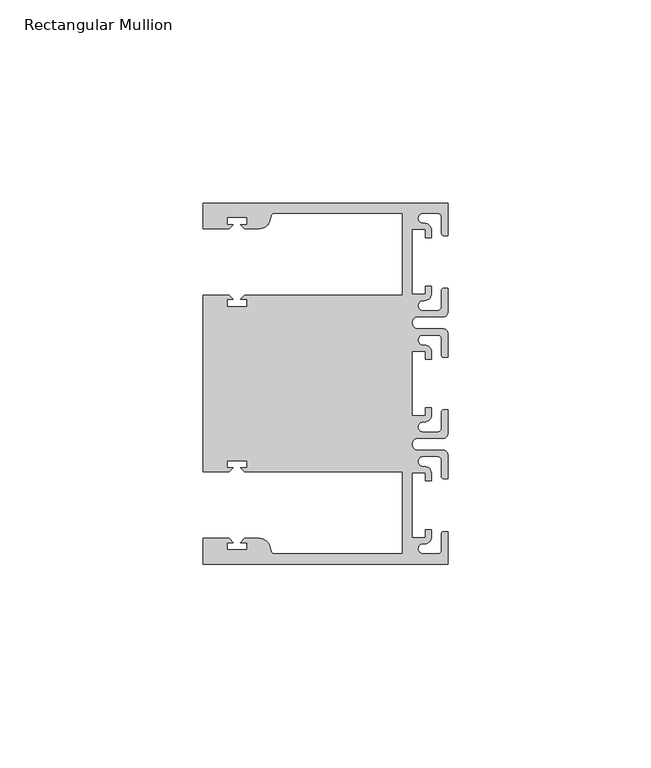
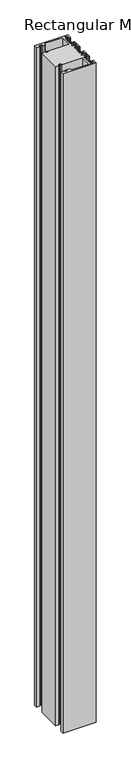
"""IFC4 building model written with IfcOpenShell, lengths in millimetres: member geometry, Rectangular Mullion."""

from ifc_helpers import new_model, si_unit, point, frame, frame_2d, origin, place, context, project, spatial, polyline, circle_curve, trimmed, segment, composite_curve, outline, extrude, source, transform, mapped, element, save


def rectangular_mullion_b421dbb2(model_context):
    return source(origin(), model_context, "Body", "SweptSolid", [
        extrude(outline(composite_curve([segment(polyline([(0.0, 44.45), (0.0, 36.4500318), (-1.0, 36.4500318)]), True, "CONTINUOUS"), segment(trimmed(circle_curve(frame_2d((-1.0, 36.9500318)), 0.5), [point((-1.0, 36.4500318))], [point((-1.5, 36.9500318))], False, "CARTESIAN"), True, "CONTINUOUS"), segment(polyline([(-1.5, 36.9500318), (-1.5, 40.95)]), True, "CONTINUOUS"), segment(trimmed(circle_curve(frame_2d((-2.5, 40.95)), 1.0), [point((-1.5, 40.95))], [point((-2.5, 41.95))], True, "CARTESIAN"), True, "CONTINUOUS"), segment(polyline([(-2.5, 41.95), (-6.0499986, 41.95)]), True, "CONTINUOUS"), segment(trimmed(circle_curve(frame_2d((-6.0499986, 40.6999986)), 1.2500014), [point((-6.0499986, 41.95))], [point((-5.9027291, 39.4587029))], True, "CARTESIAN"), True, "CONTINUOUS"), segment(trimmed(circle_curve(frame_2d((-5.7186029, 37.7499972)), 1.7185975), [point((-5.9027291, 39.4587029))], [point((-4.0000054, 37.7499972))], False, "CARTESIAN"), True, "CONTINUOUS"), segment(polyline([(-4.0000054, 37.7499972), (-4.0000054, 35.9500318), (-5.5, 35.9500318), (-5.5, 37.9499972), (-8.8585786, 37.9499972), (-8.8585786, 21.9499956), (-5.5, 21.9499956), (-5.5, 23.9499611), (-3.9999946, 23.9499611), (-3.9999946, 22.0272972)]), True, "CONTINUOUS"), segment(trimmed(circle_curve(frame_2d((-5.7543344, 22.1865598)), 1.761554), [point((-3.9999946, 22.0272972))], [point((-6.0499986, 20.4499956))], False, "CARTESIAN"), True, "CONTINUOUS"), segment(trimmed(circle_curve(frame_2d((-6.0499986, 19.1999942)), 1.2500014), [point((-6.0499986, 20.4499956))], [point((-6.0499986, 17.9499929))], True, "CARTESIAN"), True, "CONTINUOUS"), segment(polyline([(-6.0499986, 17.9499929), (-2.5, 17.9499929)]), True, "CONTINUOUS"), segment(trimmed(circle_curve(frame_2d((-2.5, 18.9499929)), 1.0), [point((-2.5, 17.9499929))], [point((-1.5, 18.9499929))], True, "CARTESIAN"), True, "CONTINUOUS"), segment(polyline([(-1.5, 18.9499929), (-1.5, 22.9499611)]), True, "CONTINUOUS"), segment(trimmed(circle_curve(frame_2d((-1.0, 22.9499611)), 0.5), [point((-1.5, 22.9499611))], [point((-1.0, 23.4499611))], False, "CARTESIAN"), True, "CONTINUOUS"), segment(polyline([(-1.0, 23.4499611), (0.0, 23.4499611), (0.0, 17.4499929)]), True, "CONTINUOUS"), segment(trimmed(circle_curve(frame_2d((-1.0, 17.4499929)), 1.0), [point((0.0, 17.4499929))], [point((-1.0, 16.4499929))], False, "CARTESIAN"), True, "CONTINUOUS"), segment(polyline([(-1.0, 16.4499929), (-7.3, 16.4499929)]), True, "CONTINUOUS"), segment(trimmed(circle_curve(frame_2d((-7.3, 14.9499929)), 1.5), [point((-7.3, 16.4499929))], [point((-7.3046244, 13.45))], True, "CARTESIAN"), True, "CONTINUOUS"), segment(polyline([(-7.3046244, 13.45), (-1.0, 13.45)]), True, "CONTINUOUS"), segment(trimmed(circle_curve(frame_2d((-1.0, 12.45)), 1.0), [point((-1.0, 13.45))], [point((0.0, 12.45))], False, "CARTESIAN"), True, "CONTINUOUS"), segment(polyline([(0.0, 12.45), (0.0, 6.4500354), (-0.9999964, 6.4500354)]), True, "CONTINUOUS"), segment(trimmed(circle_curve(frame_2d((-0.9999964, 6.9500354)), 0.5), [point((-0.9999964, 6.4500354))], [point((-1.4999964, 6.9500354))], False, "CARTESIAN"), True, "CONTINUOUS"), segment(polyline([(-1.4999964, 6.9500354), (-1.4999964, 10.95)]), True, "CONTINUOUS"), segment(trimmed(circle_curve(frame_2d((-2.4999964, 10.95)), 1.0), [point((-1.4999964, 10.95))], [point((-2.4999964, 11.95))], True, "CARTESIAN"), True, "CONTINUOUS"), segment(polyline([(-2.4999964, 11.95), (-6.0499986, 11.95)]), True, "CONTINUOUS"), segment(trimmed(circle_curve(frame_2d((-6.0499986, 10.6999986)), 1.2500014), [point((-6.0499986, 11.95))], [point((-6.0499986, 9.4499972))], True, "CARTESIAN"), True, "CONTINUOUS"), segment(trimmed(circle_curve(frame_2d((-5.7298824, 7.7499972)), 1.729877), [point((-6.0499986, 9.4499972))], [point((-4.0000054, 7.7499972))], False, "CARTESIAN"), True, "CONTINUOUS"), segment(polyline([(-4.0000054, 7.7499972), (-4.0000054, 5.9500318), (-5.5, 5.9500318), (-5.5, 7.9499972), (-8.8, 7.9499972), (-8.8, -7.9499972), (-5.5, -7.9499972), (-5.5, -5.9500318), (-4.0000054, -5.9500318), (-4.0000054, -7.7499972)]), True, "CONTINUOUS"), segment(trimmed(circle_curve(frame_2d((-5.7298824, -7.7499972)), 1.729877), [point((-4.0000054, -7.7499972))], [point((-6.0499986, -9.4499972))], False, "CARTESIAN"), True, "CONTINUOUS"), segment(trimmed(circle_curve(frame_2d((-6.0499986, -10.6999986)), 1.2500014), [point((-6.0499986, -9.4499972))], [point((-6.0499986, -11.95))], True, "CARTESIAN"), True, "CONTINUOUS"), segment(polyline([(-6.0499986, -11.95), (-2.4999964, -11.95)]), True, "CONTINUOUS"), segment(trimmed(circle_curve(frame_2d((-2.4999964, -10.95)), 1.0), [point((-2.4999964, -11.95))], [point((-1.4999964, -10.95))], True, "CARTESIAN"), True, "CONTINUOUS"), segment(polyline([(-1.4999964, -10.95), (-1.4999964, -6.9500354)]), True, "CONTINUOUS"), segment(trimmed(circle_curve(frame_2d((-0.9999964, -6.9500354)), 0.5), [point((-1.4999964, -6.9500354))], [point((-0.9999964, -6.4500354))], False, "CARTESIAN"), True, "CONTINUOUS"), segment(polyline([(-0.9999964, -6.4500354), (0.0, -6.4500354), (0.0, -12.45)]), True, "CONTINUOUS"), segment(trimmed(circle_curve(frame_2d((-1.0, -12.45)), 1.0), [point((0.0, -12.45))], [point((-1.0, -13.45))], False, "CARTESIAN"), True, "CONTINUOUS"), segment(polyline([(-1.0, -13.45), (-7.3046244, -13.45)]), True, "CONTINUOUS"), segment(trimmed(circle_curve(frame_2d((-7.3, -14.9499929)), 1.5), [point((-7.3046244, -13.45))], [point((-7.3, -16.4499929))], True, "CARTESIAN"), True, "CONTINUOUS"), segment(polyline([(-7.3, -16.4499929), (-1.0, -16.4499929)]), True, "CONTINUOUS"), segment(trimmed(circle_curve(frame_2d((-1.0, -17.4499929)), 1.0), [point((-1.0, -16.4499929))], [point((0.0, -17.4499929))], False, "CARTESIAN"), True, "CONTINUOUS"), segment(polyline([(0.0, -17.4499929), (0.0, -23.4499611), (-1.0, -23.4499611)]), True, "CONTINUOUS"), segment(trimmed(circle_curve(frame_2d((-1.0, -22.9499611)), 0.5), [point((-1.0, -23.4499611))], [point((-1.5, -22.9499611))], False, "CARTESIAN"), True, "CONTINUOUS"), segment(polyline([(-1.5, -22.9499611), (-1.5, -18.9499929)]), True, "CONTINUOUS"), segment(trimmed(circle_curve(frame_2d((-2.5, -18.9499929)), 1.0), [point((-1.5, -18.9499929))], [point((-2.5, -17.9499929))], True, "CARTESIAN"), True, "CONTINUOUS"), segment(polyline([(-2.5, -17.9499929), (-6.0499986, -17.9499929)]), True, "CONTINUOUS"), segment(trimmed(circle_curve(frame_2d((-6.0499986, -19.1999942)), 1.2500014), [point((-6.0499986, -17.9499929))], [point((-6.0499986, -20.4499956))], True, "CARTESIAN"), True, "CONTINUOUS"), segment(trimmed(circle_curve(frame_2d((-5.7543344, -22.1865598)), 1.761554), [point((-6.0499986, -20.4499956))], [point((-3.9999946, -22.0272972))], False, "CARTESIAN"), True, "CONTINUOUS"), segment(polyline([(-3.9999946, -22.0272972), (-3.9999946, -23.9499611), (-5.5, -23.9499611), (-5.5, -21.9499956), (-8.8585786, -21.9499956), (-8.8585786, -37.9499972), (-5.5, -37.9499972), (-5.5, -35.9500318), (-4.0000054, -35.9500318), (-4.0000054, -37.7499972)]), True, "CONTINUOUS"), segment(trimmed(circle_curve(frame_2d((-5.7186029, -37.7499972)), 1.7185975), [point((-4.0000054, -37.7499972))], [point((-5.9027291, -39.4587029))], False, "CARTESIAN"), True, "CONTINUOUS"), segment(trimmed(circle_curve(frame_2d((-6.0499986, -40.6999986)), 1.2500014), [point((-5.9027291, -39.4587029))], [point((-6.0499986, -41.95))], True, "CARTESIAN"), True, "CONTINUOUS"), segment(polyline([(-6.0499986, -41.95), (-2.5, -41.95)]), True, "CONTINUOUS"), segment(trimmed(circle_curve(frame_2d((-2.5, -40.95)), 1.0), [point((-2.5, -41.95))], [point((-1.5, -40.95))], True, "CARTESIAN"), True, "CONTINUOUS"), segment(polyline([(-1.5, -40.95), (-1.5, -36.9500318)]), True, "CONTINUOUS"), segment(trimmed(circle_curve(frame_2d((-1.0, -36.9500318)), 0.5), [point((-1.5, -36.9500318))], [point((-1.0, -36.4500318))], False, "CARTESIAN"), True, "CONTINUOUS"), segment(polyline([(-1.0, -36.4500318), (0.0, -36.4500318), (0.0, -44.45), (-60.325, -44.45), (-60.325, -38.1499897), (-53.8507531, -38.1499897), (-52.8507405, -39.1500023), (-54.4249778, -39.1500023), (-54.4249778, -40.9498819), (-49.4249831, -40.9498819), (-49.4249831, -39.1500023), (-50.999256, -39.1500023), (-49.9992503, -38.1499966), (-46.3137853, -38.1499966)]), True, "CONTINUOUS"), segment(trimmed(circle_curve(frame_2d((-46.3137853, -40.6499966)), 2.5), [point((-46.3137853, -38.1499966))], [point((-43.8989707, -40.002949))], False, "CARTESIAN"), True, "CONTINUOUS"), segment(polyline([(-43.8989707, -40.002949), (-43.5758588, -41.2088192)]), True, "CONTINUOUS"), segment(trimmed(circle_curve(frame_2d((-42.6099329, -40.9500001)), 1.0), [point((-43.5758588, -41.2088192))], [point((-42.6099329, -41.9500001))], True, "CARTESIAN"), True, "CONTINUOUS"), segment(polyline([(-42.6099329, -41.9500001), (-11.1125, -41.95), (-11.1125, -21.7499959), (-49.9992434, -21.7499959), (-50.999256, -20.7499834), (-49.4250186, -20.7499834), (-49.4250186, -18.949936), (-54.4250134, -18.949936), (-54.4250134, -20.7499834), (-52.8507405, -20.7499834), (-53.8507562, -21.749999), (-60.325, -21.749999), (-60.325, 21.749999), (-53.8507562, 21.749999), (-52.8507405, 20.7499834), (-54.4250134, 20.7499834), (-54.4250134, 18.949936), (-49.4250186, 18.949936), (-49.4250186, 20.7499834), (-50.999256, 20.7499834), (-49.9992434, 21.7499959), (-11.1124977, 21.7499959), (-11.1124977, 41.95), (-42.6099329, 41.95)]), True, "CONTINUOUS"), segment(trimmed(circle_curve(frame_2d((-42.6099329, 40.9500001)), 1.0), [point((-42.6099329, 41.95))], [point((-43.5758588, 41.2088192))], True, "CARTESIAN"), True, "CONTINUOUS"), segment(polyline([(-43.5758588, 41.2088192), (-43.8989707, 40.002949)]), True, "CONTINUOUS"), segment(trimmed(circle_curve(frame_2d((-46.3137853, 40.6499966)), 2.5), [point((-43.8989707, 40.002949))], [point((-46.3137853, 38.1499966))], False, "CARTESIAN"), True, "CONTINUOUS"), segment(polyline([(-46.3137853, 38.1499966), (-49.9992503, 38.1499966), (-50.999256, 39.1500023), (-49.4249831, 39.1500023), (-49.4249831, 40.9498819), (-54.4249778, 40.9498819), (-54.4249778, 39.1500023), (-52.8507405, 39.1500023), (-53.8507531, 38.1499897), (-60.3249977, 38.1499897), (-60.3249977, 44.45), (0.0, 44.45)]), True, "CONTINUOUS")], self_intersect=False)), frame((0.0, 0.0, -1270.0), z_axis=(0.0, 0.0, 1.0), x_axis=(1.0, 0.0, 0.0)), (0.0, 0.0, 1.0), 1270.0),
    ])


if __name__ == "__main__":
    model = new_model("IFC4")
    model_context = context("Model", 3, world=origin())
    ifc_project = project(units=[si_unit("LENGTHUNIT", "METRE", prefix="MILLI")], contexts=[model_context])
    site = spatial("IfcSite", under=ifc_project)
    building = spatial("IfcBuilding", under=site)
    placement = place(None, origin())
    rectangular_mullion_shape = rectangular_mullion_b421dbb2(model_context)
    element("IfcMember", 1, ObjectType="Rectangular Mullion", at=placement, inside=building, context=model_context, shape_type="MappedRepresentation", body=[
        mapped(rectangular_mullion_shape, transform((0.0, 0.0, 0.0), x_axis=(1.0, 0.0, 0.0), y_axis=(0.0, 1.0, 0.0), z_axis=(0.0, 0.0, 1.0))),
    ])
    save(model, "model.ifc")
